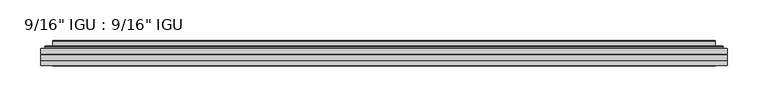
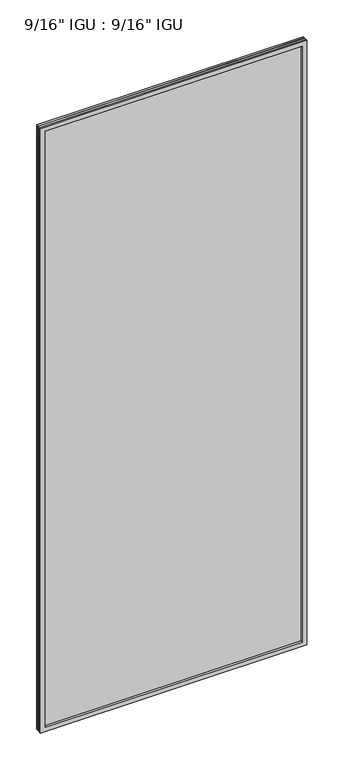
"""IFC4 building model written with IfcOpenShell, lengths in millimetres: plate geometry."""

from ifc_helpers import new_model, si_unit, frame, origin, place, context, project, spatial, polyline, ellipse_curve, outline, extrude, faceted_brep, source, transform, mapped, element, save
from ifc_brep_helpers import plane_surface, cylinder_surface, advanced_brep


def plate_7191e360(model_context):
    return source(origin(), model_context, "Body", "SolidModel", [
        extrude(outline(polyline([(419.114175, -54.78145), (419.114175, -61.1317818), (-419.1, -61.1317818), (-419.1, -54.78145), (419.114175, -54.78145)])), frame((0.0, 0.0, -14.2875), z_axis=(0.0, 0.0, 1.0), x_axis=(1.0, 0.0, 0.0)), (0.0, 0.0, 1.0), 2009.796575),
        extrude(outline(polyline([(-419.1, -69.05625), (-419.1, -62.705745), (419.114175, -62.705745), (419.114175, -69.05625), (-419.1, -69.05625)])), frame((0.0, 0.0, -14.2875), z_axis=(0.0, 0.0, 1.0), x_axis=(1.0, 0.0, 0.0)), (0.0, 0.0, 1.0), 2009.796575),
        faceted_brep([(-419.1127, -75.40625, 1995.5179772), (-419.1127, -69.05625, 1995.5179772), (-419.1127, -69.05625, -14.3002), (-419.1127, -75.40625, -14.3002), (419.1127, -69.05625, -14.3002), (419.1127, -75.40625, -14.3002), (419.1127, -69.05625, 1995.5179772), (419.1127, -75.40625, 1995.5179772), (-403.9147559, -69.05625, 0.8977441), (403.9147559, -69.05625, 0.8977441), (403.9147559, -69.05625, 1980.320033), (-403.9147559, -69.05625, 1980.320033), (-404.8071902, -75.40625, 1981.2124673), (404.8071902, -75.40625, 1981.2124673), (404.8071902, -75.40625, 0.0053098), (-404.8071902, -75.40625, 0.0053098)], [[[0, 1, 2, 3]], [[3, 2, 4, 5]], [[5, 4, 6, 7]], [[1, 6, 4, 2], [8, 9, 10, 11]], [[7, 6, 1, 0]], [[3, 5, 7, 0], [12, 13, 14, 15]], [[11, 12, 15, 8]], [[8, 15, 14, 9]], [[9, 14, 13, 10]], [[10, 13, 12, 11]]]),
        advanced_brep(
        [(-411.858719, -54.78145, 1988.2639962), (-414.2129244, -52.7917833, 1990.6182015), (-414.2129244, -52.7917833, -9.4004244), (-411.858719, -54.78145, -7.046219), (-402.7843939, -50.941413, 1979.1896711), (-397.8495621, -54.78145, 1974.2548392), (-397.8495621, -54.78145, 6.9629379), (-402.7843939, -50.941413, 2.0281061), (-403.8164217, -45.5441819, 1980.2216988), (-403.8164217, -45.5441819, 0.9960783), (-404.8070784, -45.1452069, 1981.2123556), (-404.8070784, -45.1452069, 0.0054216), (-404.8070784, -51.60645, 1981.2123556), (-404.8070784, -51.60645, 0.0054216), (-413.2111349, -51.60645, 1989.616412), (-413.2111349, -51.60645, -8.3986349), (414.2129244, -52.7917833, -9.4004244), (411.858719, -54.78145, -7.046219), (397.8495621, -54.78145, 6.9629379), (402.7843939, -50.941413, 2.0281061), (403.8164217, -45.5441819, 0.9960783), (404.8070784, -45.1452069, 0.0054216), (404.8070784, -51.60645, 0.0054216), (413.2111349, -51.60645, -8.3986349), (414.2129244, -52.7917833, 1990.6182015), (411.858719, -54.78145, 1988.2639962), (397.8495621, -54.78145, 1974.2548392), (402.7843939, -50.941413, 1979.1896711), (403.8164217, -45.5441819, 1980.2216988), (404.8070784, -45.1452069, 1981.2123556), (404.8070784, -51.60645, 1981.2123556), (413.2111349, -51.60645, 1989.616412)],
        [
            (0, 1, ellipse_curve(frame((-411.858719, -52.39385, 1988.2639962), z_axis=(-0.7071067811865475, 0.0, -0.7071067811865475), x_axis=(-0.7071067811865474, 0.0, 0.7071067811865476)), 3.3765763, 2.3876)),
            (1, 2),
            (2, 3, ellipse_curve(frame((-411.858719, -52.39385, -7.046219), z_axis=(-0.7071067811865475, 0.0, 0.7071067811865475), x_axis=(0.7071067811865474, 0.0, 0.7071067811865476)), 3.3765763, 2.3876)),
            (3, 0),
            (4, 5),
            (5, 6),
            (6, 7),
            (7, 4),
            (8, 4),
            (7, 9),
            (9, 8),
            (10, 8, ellipse_curve(frame((-404.4401219, -45.6634423, 1980.845399), z_axis=(-0.7071067811865475, 0.0, -0.7071067811865475), x_axis=(-0.7071067811865474, 0.0, 0.7071067811865476)), 0.8980256, 0.635)),
            (9, 11, ellipse_curve(frame((-404.4401219, -45.6634423, 0.3723781), z_axis=(-0.7071067811865475, 0.0, 0.7071067811865475), x_axis=(0.7071067811865474, 0.0, 0.7071067811865476)), 0.8980256, 0.635)),
            (11, 10),
            (12, 10),
            (11, 13),
            (13, 12),
            (1, 14, ellipse_curve(frame((-413.2111349, -52.62245, 1989.616412), z_axis=(-0.7071067811865475, 0.0, -0.7071067811865475), x_axis=(-0.7071067811865474, 0.0, 0.7071067811865476)), 1.436841, 1.016)),
            (14, 15),
            (15, 2, ellipse_curve(frame((-413.2111349, -52.62245, -8.3986349), z_axis=(-0.7071067811865475, 0.0, 0.7071067811865475), x_axis=(0.7071067811865474, 0.0, 0.7071067811865476)), 1.436841, 1.016)),
            (2, 16),
            (16, 17, ellipse_curve(frame((411.858719, -52.39385, -7.046219), z_axis=(-0.7071067811865475, 0.0, -0.7071067811865475), x_axis=(-0.7071067811865476, 0.0, 0.7071067811865474)), 3.3765763, 2.3876)),
            (17, 3),
            (6, 18),
            (18, 19),
            (19, 7),
            (19, 20),
            (20, 9),
            (20, 21, ellipse_curve(frame((404.4401219, -45.6634423, 0.3723781), z_axis=(-0.7071067811865475, 0.0, -0.7071067811865475), x_axis=(-0.7071067811865476, 0.0, 0.7071067811865474)), 0.8980256, 0.635)),
            (21, 11),
            (21, 22),
            (22, 13),
            (15, 23),
            (23, 16, ellipse_curve(frame((413.2111349, -52.62245, -8.3986349), z_axis=(-0.7071067811865475, 0.0, -0.7071067811865475), x_axis=(-0.7071067811865476, 0.0, 0.7071067811865474)), 1.436841, 1.016)),
            (16, 24),
            (24, 25, ellipse_curve(frame((411.858719, -52.39385, 1988.2639962), z_axis=(0.7071067811865475, 0.0, -0.7071067811865475), x_axis=(-0.7071067811865474, 0.0, -0.7071067811865476)), 3.3765763, 2.3876)),
            (25, 17),
            (18, 26),
            (26, 27),
            (27, 19),
            (27, 28),
            (28, 20),
            (28, 29, ellipse_curve(frame((404.4401219, -45.6634423, 1980.845399), z_axis=(0.7071067811865475, 0.0, -0.7071067811865475), x_axis=(-0.7071067811865474, 0.0, -0.7071067811865476)), 0.8980256, 0.635)),
            (29, 21),
            (29, 30),
            (30, 22),
            (23, 31),
            (31, 24, ellipse_curve(frame((413.2111349, -52.62245, 1989.616412), z_axis=(0.7071067811865475, 0.0, -0.7071067811865475), x_axis=(-0.7071067811865474, 0.0, -0.7071067811865476)), 1.436841, 1.016)),
            (24, 1),
            (0, 25),
            (5, 26),
            (4, 27),
            (8, 28),
            (10, 29),
            (12, 30),
            (14, 31),
        ],
        [
            cylinder_surface(frame((-411.858719, -52.39385, 2012.9677772), z_axis=(0.0, 0.0, 1.0), x_axis=(-1.0, 0.0, 0.0)), 2.3876),
            plane_surface(frame((-397.8495621, -54.78145, 1974.2548392), z_axis=(0.6141233906514794, 0.7892100234124821, 0.0), x_axis=(0.0, 0.0, -1.0))),
            plane_surface(frame((-402.7843939, -50.941413, 1979.1896711), z_axis=(0.9822050625507728, 0.18781164793386085, 0.0), x_axis=(0.0, 0.0, -1.0))),
            cylinder_surface(frame((-404.4401219, -45.6634423, 2012.9677772), z_axis=(0.0, 0.0, 1.0), x_axis=(-1.0, 0.0, 0.0)), 0.635),
            plane_surface(frame((-404.8070784, -45.1452069, 1981.2123556), z_axis=(-1.0, 0.0, 0.0), x_axis=(0.0, 0.0, -1.0))),
            cylinder_surface(frame((-413.2111349, -52.62245, 2012.9677772), z_axis=(0.0, 0.0, 1.0), x_axis=(-1.0, 0.0, 0.0)), 1.016),
            cylinder_surface(frame((-436.5625, -52.39385, -7.046219), z_axis=(-1.0, 0.0, 0.0), x_axis=(0.0, 0.0, -1.0)), 2.3876),
            plane_surface(frame((-397.8495621, -54.78145, 6.9629379), z_axis=(0.0, 0.7892100234124841, 0.6141233906514768), x_axis=(1.0, 0.0, 0.0))),
            plane_surface(frame((-402.7843939, -50.941413, 2.0281061), z_axis=(0.0, 0.18781164793386404, 0.9822050625507722), x_axis=(1.0, 0.0, 0.0))),
            cylinder_surface(frame((-436.5625, -45.6634423, 0.3723781), z_axis=(-1.0, 0.0, 0.0), x_axis=(0.0, 0.0, -1.0)), 0.635),
            plane_surface(frame((-404.8070784, -45.1452069, 0.0054216), z_axis=(0.0, 0.0, -1.0), x_axis=(1.0, 0.0, 0.0))),
            cylinder_surface(frame((-436.5625, -52.62245, -8.3986349), z_axis=(-1.0, 0.0, 0.0), x_axis=(0.0, 0.0, -1.0)), 1.016),
            cylinder_surface(frame((411.858719, -52.39385, -31.75), z_axis=(0.0, 0.0, -1.0), x_axis=(1.0, 0.0, 0.0)), 2.3876),
            plane_surface(frame((397.8495621, -54.78145, 6.9629379), z_axis=(-0.6141233906514743, 0.7892100234124861, 0.0), x_axis=(0.0, 0.0, 1.0))),
            plane_surface(frame((402.7843939, -50.941413, 2.0281061), z_axis=(-0.9822050625507717, 0.18781164793386723, 0.0), x_axis=(0.0, 0.0, 1.0))),
            cylinder_surface(frame((404.4401219, -45.6634423, -31.75), z_axis=(0.0, 0.0, -1.0), x_axis=(1.0, 0.0, 0.0)), 0.635),
            plane_surface(frame((404.8070784, -45.1452069, 0.0054216), z_axis=(1.0, 0.0, 0.0), x_axis=(0.0, 0.0, 1.0))),
            cylinder_surface(frame((413.2111349, -52.62245, -31.75), z_axis=(0.0, 0.0, -1.0), x_axis=(1.0, 0.0, 0.0)), 1.016),
            cylinder_surface(frame((436.5625, -52.39385, 1988.2639962), z_axis=(1.0, 0.0, 0.0), x_axis=(0.0, 0.0, 1.0)), 2.3876),
            plane_surface(frame((411.858719, -54.78145, 1988.2639962), z_axis=(0.0, -1.0, 0.0), x_axis=(-1.0, 0.0, 0.0))),
            plane_surface(frame((397.8495621, -54.78145, 1974.2548392), z_axis=(0.0, 0.7892100234124841, -0.6141233906514768), x_axis=(-1.0, 0.0, 0.0))),
            plane_surface(frame((402.7843939, -50.941413, 1979.1896711), z_axis=(0.0, 0.18781164793386404, -0.9822050625507722), x_axis=(-1.0, 0.0, 0.0))),
            cylinder_surface(frame((436.5625, -45.6634423, 1980.845399), z_axis=(1.0, 0.0, 0.0), x_axis=(0.0, 0.0, 1.0)), 0.635),
            plane_surface(frame((404.8070784, -45.1452069, 1981.2123556), z_axis=(0.0, 0.0, 1.0), x_axis=(-1.0, 0.0, 0.0))),
            plane_surface(frame((404.8070784, -51.60645, 1981.2123556), z_axis=(0.0, 1.0, 0.0), x_axis=(-1.0, 0.0, 0.0))),
            cylinder_surface(frame((436.5625, -52.62245, 1989.616412), z_axis=(1.0, 0.0, 0.0), x_axis=(0.0, 0.0, 1.0)), 1.016),
        ],
        [
            (0, [[1, 2, 3, 4]]),
            (1, [[5, 6, 7, 8]]),
            (2, [[9, -8, 10, 11]]),
            (3, [[12, -11, 13, 14]]),
            (4, [[15, -14, 16, 17]]),
            (5, [[18, 19, 20, -2]]),
            (6, [[-3, 21, 22, 23]]),
            (7, [[-7, 24, 25, 26]]),
            (8, [[-10, -26, 27, 28]]),
            (9, [[-13, -28, 29, 30]]),
            (10, [[-16, -30, 31, 32]]),
            (11, [[-20, 33, 34, -21]]),
            (12, [[-22, 35, 36, 37]]),
            (13, [[-25, 38, 39, 40]]),
            (14, [[-27, -40, 41, 42]]),
            (15, [[-29, -42, 43, 44]]),
            (16, [[-31, -44, 45, 46]]),
            (17, [[-34, 47, 48, -35]]),
            (18, [[-36, 49, -1, 50]]),
            (19, [[-23, -37, -50, -4], [51, -38, -24, -6]]),
            (20, [[-39, -51, -5, 52]]),
            (21, [[-41, -52, -9, 53]]),
            (22, [[-43, -53, -12, 54]]),
            (23, [[-45, -54, -15, 55]]),
            (24, [[56, -47, -33, -19], [-32, -46, -55, -17]]),
            (25, [[-48, -56, -18, -49]]),
        ],
    ),
    ])


if __name__ == "__main__":
    model = new_model("IFC4")
    model_context = context("Model", 3, world=origin())
    ifc_project = project(units=[si_unit("LENGTHUNIT", "METRE", prefix="MILLI")], contexts=[model_context])
    site = spatial("IfcSite", under=ifc_project)
    building = spatial("IfcBuilding", under=site)
    placement = place(None, origin())
    plate_shape = plate_7191e360(model_context)
    element("IfcPlate", 1, ObjectType="9/16\" IGU : 9/16\" IGU", at=placement, inside=building, context=model_context, shape_type="MappedRepresentation", body=[
        mapped(plate_shape, transform((0.0, 0.0, 0.0), x_axis=(1.0, 0.0, 0.0), y_axis=(0.0, 1.0, 0.0), z_axis=(0.0, 0.0, 1.0))),
    ])
    save(model, "model.ifc")
